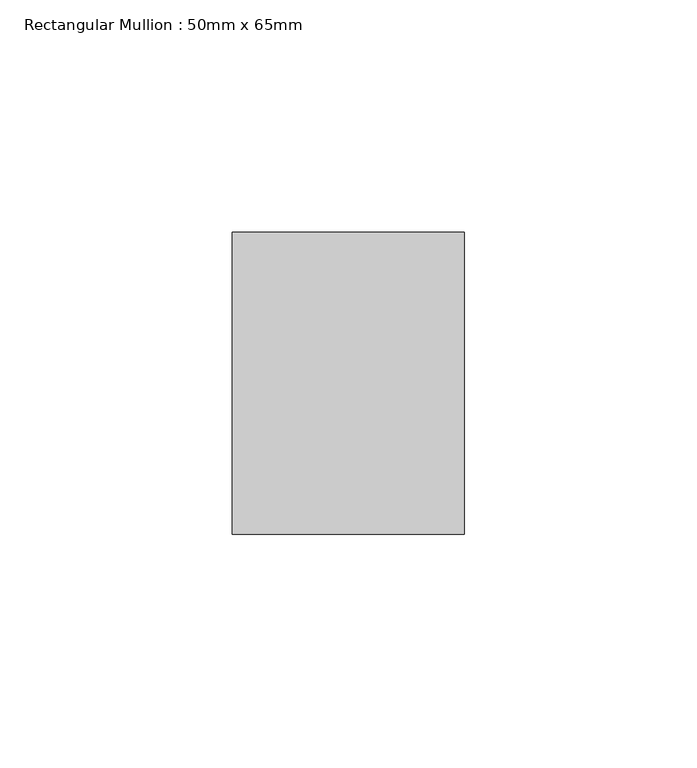
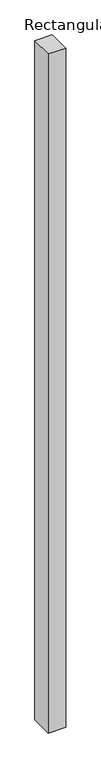
"""IFC4 building model written with IfcOpenShell, lengths in millimetres: member geometry, Rectangular Mullion : 50mm x 65mm."""

import ifcopenshell
import ifcopenshell.guid

model = None  # the IFC model being written
_history = None  # IfcOwnerHistory: only IFC2X3 demands one
_inside = {}  # id of a spatial element -> (the spatial element, [elements in it])
_under = {}  # id of a project, library or spatial element -> (it, [spatial elements below it])
_declared = {}  # id of a project -> (the project, [libraries it declares])
_typed = {}  # id of a type object -> (the type object, [elements of that type])
_made_of = {}  # id of a material, layer set ... -> (it, [elements and type objects made of it])


def new_model(schema):
    """Start an empty IFC model of exactly this schema.

    Asked for "IFC4X3", IfcOpenShell would pick the latest addendum, in which some entities
    have other attributes; the version numbers below select the first issue.
    IFC2X3 requires an IfcOwnerHistory on every rooted entity: one is made here for all.
    """
    global model, _history
    if schema == "IFC4X3":
        model = ifcopenshell.file(schema_version=(4, 3, 0, 0))
    else:
        model = ifcopenshell.file(schema=schema)
    _inside.clear()
    _under.clear()
    _declared.clear()
    _typed.clear()
    _made_of.clear()
    _history = None
    if model.schema == "IFC2X3":
        org = make("IfcOrganization", Name="unknown")
        user = make(
            "IfcPersonAndOrganization",
            ThePerson=make("IfcPerson", FamilyName="unknown"),
            TheOrganization=org,
        )
        app = make(
            "IfcApplication",
            ApplicationDeveloper=org,
            Version="unknown",
            ApplicationFullName="unknown",
            ApplicationIdentifier="unknown",
        )
        _history = make(
            "IfcOwnerHistory",
            OwningUser=user,
            OwningApplication=app,
            ChangeAction="ADDED",
            CreationDate=0,
        )
    return model


def make(cls, **values):
    """One entity of the class cls with the attributes given. An attribute that is None is left unset."""
    return model.create_entity(
        cls, **{name: value for name, value in values.items() if value is not None}
    )


def rooted(cls, **values):
    """An entity with a GlobalId (a new one), such as an element, a storey or a relation."""
    return make(cls, GlobalId=ifcopenshell.guid.new(), OwnerHistory=_history, **values)


def si_unit(unit_type, name, prefix=None):
    """IfcSIUnit, for example si_unit("LENGTHUNIT", "METRE", prefix="MILLI")."""
    return make("IfcSIUnit", UnitType=unit_type, Prefix=prefix, Name=name)


def assignment(units):
    """IfcUnitAssignment: the units of a project."""
    return None if units is None else make("IfcUnitAssignment", Units=units)


def point(xyz):
    """IfcCartesianPoint."""
    return None if xyz is None else make("IfcCartesianPoint", Coordinates=xyz)


def direction(xyz):
    """IfcDirection."""
    return None if xyz is None else make("IfcDirection", DirectionRatios=xyz)


def frame(location, z_axis=None, x_axis=None):
    """IfcAxis2Placement3D, a coordinate frame: its origin and axes. An axis left out is left unset."""
    return make(
        "IfcAxis2Placement3D",
        Location=point(location),
        Axis=direction(z_axis),
        RefDirection=direction(x_axis),
    )


def origin():
    """The frame at (0, 0, 0) with its axes left unset."""
    return frame((0.0, 0.0, 0.0))


def place(relative_to, where):
    """IfcLocalPlacement: puts the frame where relative to a parent placement (None: the world)."""
    return make(
        "IfcLocalPlacement", PlacementRelTo=relative_to, RelativePlacement=where
    )


def context(
    kind, dimensions, precision=None, world=None, true_north=None, identifier=None
):
    """IfcGeometricRepresentationContext, for example the 3D "Model" context."""
    return make(
        "IfcGeometricRepresentationContext",
        ContextIdentifier=identifier,
        ContextType=kind,
        CoordinateSpaceDimension=dimensions,
        Precision=precision,
        WorldCoordinateSystem=world,
        TrueNorth=true_north,
    )


def project(units=None, contexts=None):
    """IfcProject with its units and contexts."""
    return rooted(
        "IfcProject",
        Name="project",
        RepresentationContexts=contexts,
        UnitsInContext=assignment(units),
    )


def spatial(cls, under=None, at=None, **own):
    """A site, building, storey or space (cls), placed at a placement, below another one or the project."""
    s = rooted(cls, ObjectPlacement=at, **own)
    if under is not None:
        _under.setdefault(under.id(), (under, []))[1].append(s)
    return s


def polyline(points):
    """IfcPolyline through the points."""
    return make("IfcPolyline", Points=[point(p) for p in points])


def outline(outer, holes=None, kind="AREA"):
    """IfcArbitraryClosedProfileDef: a profile drawn as a closed curve; with holes, ...WithVoids."""
    if holes is None:
        return make("IfcArbitraryClosedProfileDef", ProfileType=kind, OuterCurve=outer)
    return make(
        "IfcArbitraryProfileDefWithVoids",
        ProfileType=kind,
        OuterCurve=outer,
        InnerCurves=holes,
    )


def extrude(swept, where, along, depth):
    """IfcExtrudedAreaSolid: the profile swept, set in the frame where, extruded along a direction by depth."""
    return make(
        "IfcExtrudedAreaSolid",
        SweptArea=swept,
        Position=where,
        ExtrudedDirection=direction(along),
        Depth=depth,
    )


def shape(context_of_items, identifier, shape_type, items):
    """IfcShapeRepresentation: the items that make up one representation, for example the "Body"."""
    return make(
        "IfcShapeRepresentation",
        ContextOfItems=context_of_items,
        RepresentationIdentifier=identifier,
        RepresentationType=shape_type,
        Items=items,
    )


def source(mapping_origin, context_of_items, identifier, shape_type, items):
    """IfcRepresentationMap: a shape defined once, which mapped items show again and again."""
    return make(
        "IfcRepresentationMap",
        MappingOrigin=mapping_origin,
        MappedRepresentation=shape(context_of_items, identifier, shape_type, items),
    )


def transform(
    local_origin,
    x_axis=None,
    y_axis=None,
    z_axis=None,
    scale=None,
    scale2=None,
    scale3=None,
    uniform=True,
):
    """IfcCartesianTransformationOperator3D, or its non-uniform kind. x_axis, y_axis, z_axis: its Axis1, 2, 3."""
    if uniform:
        return make(
            "IfcCartesianTransformationOperator3D",
            Axis1=direction(x_axis),
            Axis2=direction(y_axis),
            LocalOrigin=point(local_origin),
            Scale=scale,
            Axis3=direction(z_axis),
        )
    return make(
        "IfcCartesianTransformationOperator3DnonUniform",
        Axis1=direction(x_axis),
        Axis2=direction(y_axis),
        LocalOrigin=point(local_origin),
        Scale=scale,
        Axis3=direction(z_axis),
        Scale2=scale2,
        Scale3=scale3,
    )


def mapped(mapping_source, mapping_target):
    """IfcMappedItem: shows the shape of a source again, moved by a transform."""
    return make(
        "IfcMappedItem", MappingSource=mapping_source, MappingTarget=mapping_target
    )


def made_of(thing, what):
    """Note that an element or type object is made of a material, layer set ...; save() writes the relation."""
    if what is not None:
        _made_of.setdefault(what.id(), (what, []))[1].append(thing)
    return thing


def element(
    cls,
    number,
    at=None,
    inside=None,
    cuts=None,
    type_object=None,
    material=None,
    context=None,
    identifier="Body",
    shape_type=None,
    held_by="IfcProductDefinitionShape",
    body=None,
    shapes=None,
    **own,
):
    """One element of the class cls, such as IfcWall. Its Tag is "e" and its number.

    at: its placement. inside: the storey or other place that contains it. cuts: it is an
    opening in that element (IfcRelVoidsElement). A single representation is given by context,
    identifier, shape_type and body (its items); several are given by shapes. held_by: the class
    of the entity that holds the representations. save() writes the other relations.
    """
    e = rooted(cls, Tag="e%d" % number, ObjectPlacement=at, **own)
    if body is not None:
        shapes = [shape(context, identifier, shape_type, body)]
    if shapes is not None:
        e.Representation = make(held_by, Representations=shapes)
    if inside is not None:
        _inside.setdefault(inside.id(), (inside, []))[1].append(e)
    if cuts is not None:
        rooted(
            "IfcRelVoidsElement", RelatingBuildingElement=cuts, RelatedOpeningElement=e
        )
    if type_object is not None:
        _typed.setdefault(type_object.id(), (type_object, []))[1].append(e)
    return made_of(e, material)


def aggregate(whole, parts):
    """IfcRelAggregates: a whole, such as a stair, and the parts it consists of."""
    return rooted("IfcRelAggregates", RelatingObject=whole, RelatedObjects=parts)


def save(model, path):
    """Write the relations noted so far, then the file.

    IfcRelAggregates (storeys below a building ...), IfcRelContainedInSpatialStructure (elements
    in a storey), IfcRelDefinesByType, IfcRelAssociatesMaterial and IfcRelDeclares: one each for
    every whole, place, type object, material and project.
    """
    for whole, parts in _under.values():
        aggregate(whole, parts)
    for where, things in _inside.values():
        rooted(
            "IfcRelContainedInSpatialStructure",
            RelatedElements=things,
            RelatingStructure=where,
        )
    for kind, things in _typed.values():
        rooted("IfcRelDefinesByType", RelatedObjects=things, RelatingType=kind)
    for what, things in _made_of.values():
        rooted("IfcRelAssociatesMaterial", RelatedObjects=things, RelatingMaterial=what)
    for by, libraries in _declared.values():
        rooted("IfcRelDeclares", RelatingContext=by, RelatedDefinitions=libraries)
    model.write(path)


def rectangular_mullion_50mm_x_65mm_f51e4f86(model_context):
    return source(origin(), model_context, "Body", "SweptSolid", [
        extrude(outline(polyline([(25.0, 32.5), (25.0, -32.5), (-25.0, -32.5), (-25.0, 32.5), (25.0, 32.5)])), frame((0.0, 0.0, -2042.0386501), z_axis=(0.0, 0.0, 1.0), x_axis=(1.0, 0.0, 0.0)), (0.0, 0.0, 1.0), 2042.0386501),
    ])


if __name__ == "__main__":
    model = new_model("IFC4")
    model_context = context("Model", 3, world=origin())
    ifc_project = project(units=[si_unit("LENGTHUNIT", "METRE", prefix="MILLI")], contexts=[model_context])
    site = spatial("IfcSite", under=ifc_project)
    building = spatial("IfcBuilding", under=site)
    placement = place(None, origin())
    rectangular_mullion_50mm_x_65mm_shape = rectangular_mullion_50mm_x_65mm_f51e4f86(model_context)
    element("IfcMember", 1, ObjectType="Rectangular Mullion : 50mm x 65mm", at=placement, inside=building, context=model_context, shape_type="MappedRepresentation", body=[
        mapped(rectangular_mullion_50mm_x_65mm_shape, transform((0.0, 0.0, 0.0), x_axis=(1.0, 0.0, 0.0), y_axis=(0.0, 1.0, 0.0), z_axis=(0.0, 0.0, 1.0))),
    ])
    save(model, "model.ifc")
